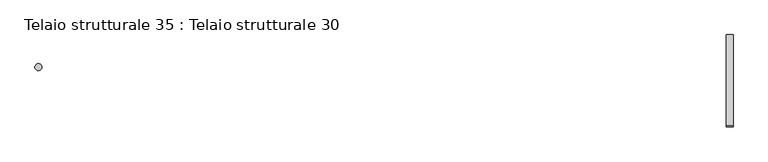
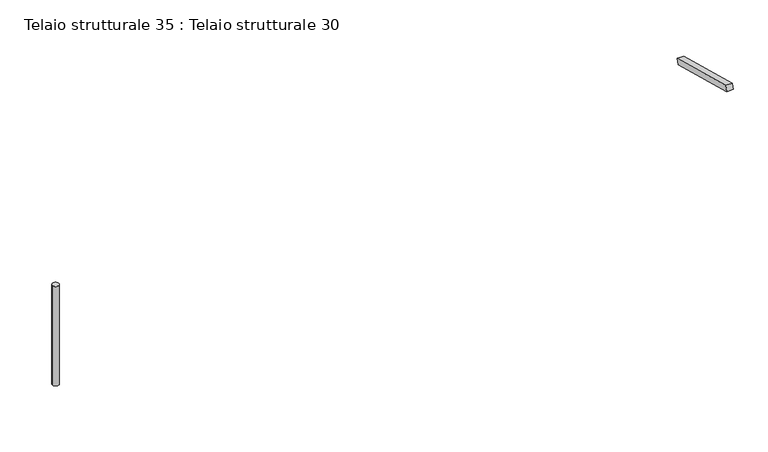
"""IFC4 building model written with IfcOpenShell, lengths in millimetres: beam geometry, Telaio strutturale 35 : Telaio strutturale 30."""

from ifc_helpers import new_model, si_unit, point, frame, frame_2d, origin, place, context, project, spatial, polyline, circle_curve, trimmed, segment, composite_curve, outline, extrude, source, transform, mapped, element, save


def telaio_strutturale_35_telaio_strutturale_30_676ccb1a(model_context):
    return source(origin(), model_context, "Body", "SweptSolid", [
        extrude(outline(polyline([(0.0, -1635.0), (0.0, 0.0), (120.0, 0.0), (120.0, -1635.0), (0.0, -1635.0)])), frame((-57322.4841271, 4533.4743094, -614.0802379), z_axis=(0.0, 0.2588190451025175, 0.9659258262890693), x_axis=(1.0, 0.0, 0.0)), (0.0, 0.0, 1.0), 110.0),
        extrude(outline(composite_curve([segment(trimmed(circle_curve(frame_2d((-69300.8532189, 3995.9676802)), 60.0), [point((-69360.8532189, 3995.9676802))], [point((-69240.8532189, 3995.9676802))], False, "CARTESIAN"), True, "CONTINUOUS"), segment(trimmed(circle_curve(frame_2d((-69300.8532189, 3995.9676802)), 60.0), [point((-69240.8532189, 3995.9676802))], [point((-69360.8532189, 3995.9676802))], False, "CARTESIAN"), True, "CONTINUOUS")], self_intersect=False)), frame((0.0, 0.0, -2420.5), z_axis=(0.0, 0.0, 1.0), x_axis=(1.0, 0.0, 0.0)), (0.0, 0.0, 1.0), 1967.9573404),
    ])


if __name__ == "__main__":
    model = new_model("IFC4")
    model_context = context("Model", 3, world=origin())
    ifc_project = project(units=[si_unit("LENGTHUNIT", "METRE", prefix="MILLI")], contexts=[model_context])
    site = spatial("IfcSite", under=ifc_project)
    building = spatial("IfcBuilding", under=site)
    placement = place(None, origin())
    telaio_strutturale_35_telaio_strutturale_30_shape = telaio_strutturale_35_telaio_strutturale_30_676ccb1a(model_context)
    element("IfcBeam", 1, ObjectType="Telaio strutturale 35 : Telaio strutturale 30", at=placement, inside=building, context=model_context, shape_type="MappedRepresentation", body=[
        mapped(telaio_strutturale_35_telaio_strutturale_30_shape, transform((0.0, 0.0, 0.0), x_axis=(1.0, 0.0, 0.0), y_axis=(0.0, 1.0, 0.0), z_axis=(0.0, 0.0, 1.0))),
    ])
    save(model, "model.ifc")
